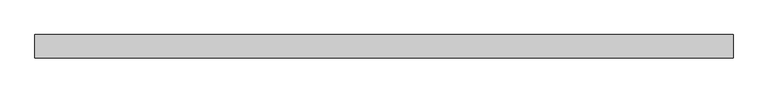
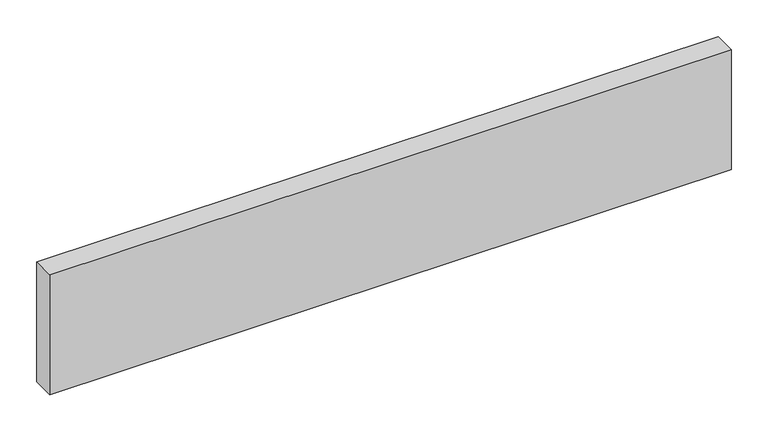
"""IFC4 building model written with IfcOpenShell, lengths in millimetres: beam geometry."""

from ifc_helpers import new_model, si_unit, frame, origin, place, context, project, spatial, polyline, outline, extrude, source, transform, mapped, element, save


def beam_489897c8(model_context):
    return source(origin(), model_context, "Body", "SweptSolid", [
        extrude(outline(polyline([(537.4, -18.0), (-537.4, -18.0), (-537.4, 18.0), (537.4, 18.0), (537.4, -18.0)])), frame((0.0, 0.0, -100.0), z_axis=(0.0, 0.0, 1.0), x_axis=(1.0, 0.0, 0.0)), (0.0, 0.0, 1.0), 200.0),
    ])


if __name__ == "__main__":
    model = new_model("IFC4")
    model_context = context("Model", 3, world=origin())
    ifc_project = project(units=[si_unit("LENGTHUNIT", "METRE", prefix="MILLI")], contexts=[model_context])
    site = spatial("IfcSite", under=ifc_project)
    building = spatial("IfcBuilding", under=site)
    placement = place(None, origin())
    beam_shape = beam_489897c8(model_context)
    element("IfcBeam", 1, at=placement, inside=building, context=model_context, shape_type="MappedRepresentation", body=[
        mapped(beam_shape, transform((0.0, 0.0, 0.0), x_axis=(1.0, 0.0, 0.0), y_axis=(0.0, 1.0, 0.0), z_axis=(0.0, 0.0, 1.0))),
    ])
    save(model, "model.ifc")
